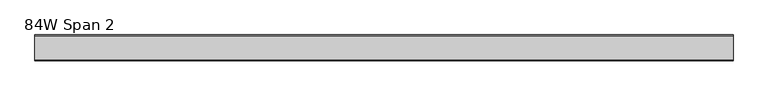
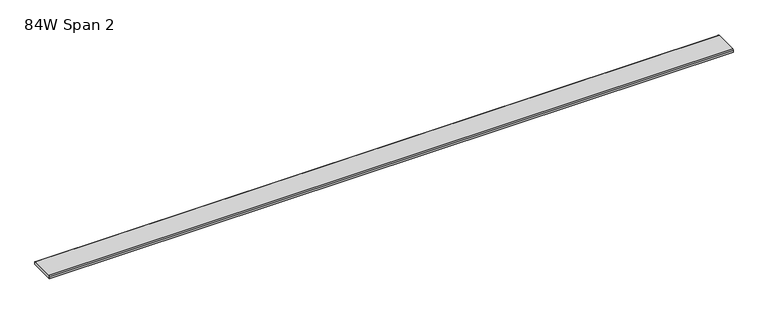
"""IFC4 building model written with IfcOpenShell, lengths in millimetres: furniture geometry, 84W Span 2."""

from ifc_helpers import new_model, si_unit, point, frame, frame_2d, origin, place, context, project, spatial, polyline, circle_curve, trimmed, segment, composite_curve, outline, extrude, source, transform, mapped, element, save


def furniture_84w_span_2_5a814556(model_context):
    return source(origin(), model_context, "Body", "SweptSolid", [
        extrude(outline(composite_curve([segment(polyline([(37.5704018, 1156.716), (37.5704018, 1150.366), (-40.8679732, 1150.366), (-40.8679732, 1156.716)]), True, "CONTINUOUS"), segment(trimmed(circle_curve(frame_2d((-37.6929732, 1156.716)), 3.175), [point((-40.8679732, 1156.716))], [point((-37.6929732, 1159.891))], False, "CARTESIAN"), True, "CONTINUOUS"), segment(polyline([(-37.6929732, 1159.891), (34.3954018, 1159.891)]), True, "CONTINUOUS"), segment(trimmed(circle_curve(frame_2d((34.3954018, 1156.716)), 3.175), [point((34.3954018, 1159.891))], [point((37.5704018, 1156.716))], False, "CARTESIAN"), True, "CONTINUOUS")], self_intersect=False)), frame((-1064.574325, 0.0, 0.0), z_axis=(1.0, 0.0, 0.0), x_axis=(0.0, 1.0, 0.0)), (0.0, 0.0, 1.0), 2129.155),
    ])


if __name__ == "__main__":
    model = new_model("IFC4")
    model_context = context("Model", 3, world=origin())
    ifc_project = project(units=[si_unit("LENGTHUNIT", "METRE", prefix="MILLI")], contexts=[model_context])
    site = spatial("IfcSite", under=ifc_project)
    building = spatial("IfcBuilding", under=site)
    placement = place(None, origin())
    furniture_84w_span_2_shape = furniture_84w_span_2_5a814556(model_context)
    element("IfcFurniture", 1, ObjectType="84W Span 2", at=placement, inside=building, context=model_context, shape_type="MappedRepresentation", body=[
        mapped(furniture_84w_span_2_shape, transform((0.0, 0.0, 0.0), x_axis=(1.0, 0.0, 0.0), y_axis=(0.0, 1.0, 0.0), z_axis=(0.0, 0.0, 1.0))),
    ])
    save(model, "model.ifc")
